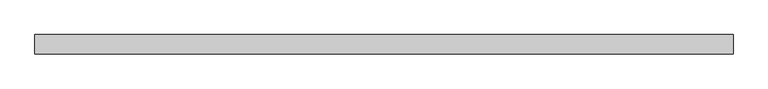
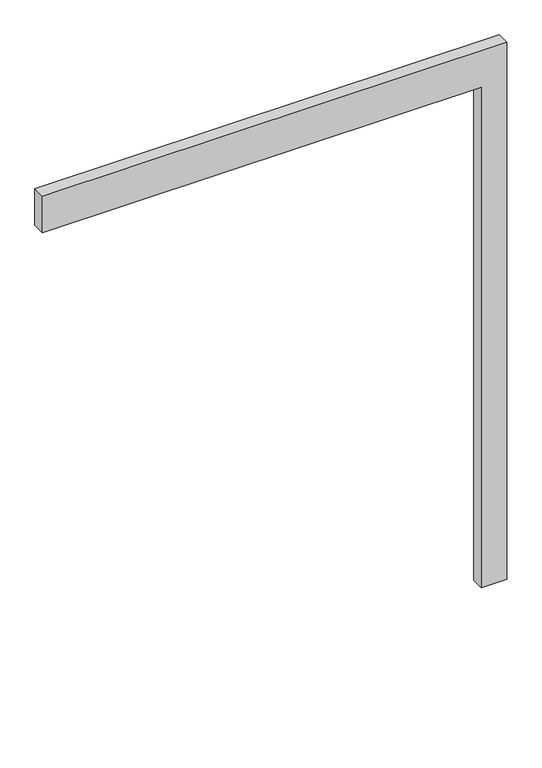
"""IFC4 building model written with IfcOpenShell, lengths in millimetres: proxy geometry."""

from ifc_helpers import new_model, si_unit, frame, origin, place, context, project, spatial, polyline, outline, extrude, source, transform, mapped, element, save


def generic_models_ec0cfaa0(model_context):
    return source(origin(), model_context, "Body", "SweptSolid", [
        extrude(outline(polyline([(2050.0, -1700.0), (2050.0, 0.0), (0.0, 0.0), (0.0, 100.0), (2200.0, 100.0), (2200.0, -1700.0), (2050.0, -1700.0)])), frame((0.0, -50.0, 0.0), z_axis=(0.0, 1.0, 0.0), x_axis=(0.0, 0.0, 1.0)), (0.0, 0.0, 1.0), 50.0),
    ])


if __name__ == "__main__":
    model = new_model("IFC4")
    model_context = context("Model", 3, world=origin())
    ifc_project = project(units=[si_unit("LENGTHUNIT", "METRE", prefix="MILLI")], contexts=[model_context])
    site = spatial("IfcSite", under=ifc_project)
    building = spatial("IfcBuilding", under=site)
    placement = place(None, origin())
    generic_models_shape = generic_models_ec0cfaa0(model_context)
    element("IfcBuildingElementProxy", 1, Name="Generic Models", at=placement, inside=building, context=model_context, shape_type="MappedRepresentation", body=[
        mapped(generic_models_shape, transform((0.0, 0.0, 0.0), x_axis=(1.0, 0.0, 0.0), y_axis=(0.0, 1.0, 0.0), z_axis=(0.0, 0.0, 1.0))),
    ])
    save(model, "model.ifc")
